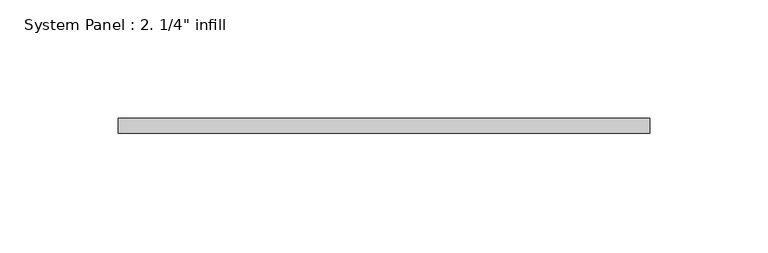
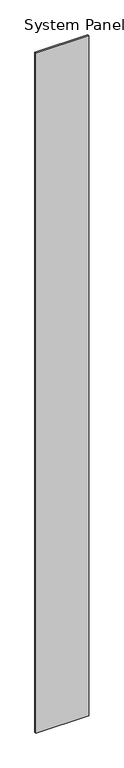
"""IFC4 building model written with IfcOpenShell, lengths in millimetres: plate geometry."""

from ifc_helpers import new_model, si_unit, origin, origin_with_axes, place, context, project, spatial, polyline, outline, extrude, source, transform, mapped, element, save


def plate_069d559c(model_context):
    return source(origin(), model_context, "Body", "SweptSolid", [
        extrude(outline(polyline([(112.5402391, 0.0), (-112.5402391, 0.0), (-112.5402391, 6.35), (112.5402391, 6.35), (112.5402391, 0.0)])), origin_with_axes(), (0.0, 0.0, 1.0), 3048.0),
    ])


if __name__ == "__main__":
    model = new_model("IFC4")
    model_context = context("Model", 3, world=origin())
    ifc_project = project(units=[si_unit("LENGTHUNIT", "METRE", prefix="MILLI")], contexts=[model_context])
    site = spatial("IfcSite", under=ifc_project)
    building = spatial("IfcBuilding", under=site)
    placement = place(None, origin())
    plate_shape = plate_069d559c(model_context)
    element("IfcPlate", 1, ObjectType="System Panel : 2. 1/4\" infill", at=placement, inside=building, context=model_context, shape_type="MappedRepresentation", body=[
        mapped(plate_shape, transform((0.0, 0.0, 0.0), x_axis=(1.0, 0.0, 0.0), y_axis=(0.0, 1.0, 0.0), z_axis=(0.0, 0.0, 1.0))),
    ])
    save(model, "model.ifc")
